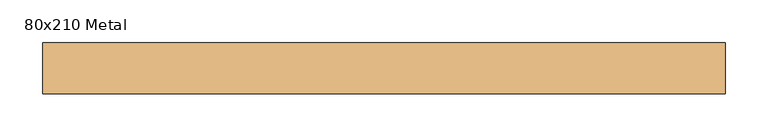
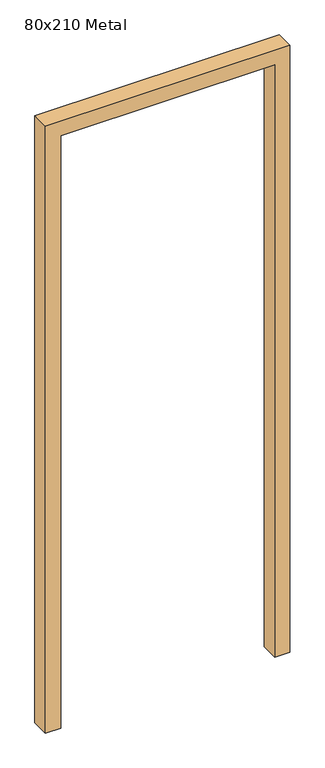
"""IFC4 building model written with IfcOpenShell, lengths in millimetres: door geometry, 80x210 Metal."""

from ifc_helpers import new_model, si_unit, frame, origin, place, context, project, spatial, polyline, outline, extrude, source, transform, mapped, element, save


def door_80x210_metal_ba5819eb(model_context):
    return source(origin(), model_context, "Body", "SweptSolid", [
        extrude(outline(polyline([(2050.0, 350.0), (0.0, 350.0), (0.0, 400.0), (2100.0, 400.0), (2100.0, -400.0), (0.0, -400.0), (0.0, -350.0), (2050.0, -350.0), (2050.0, 350.0)])), frame((0.0, -20.0, 0.0), z_axis=(0.0, 1.0, 0.0), x_axis=(0.0, 0.0, 1.0)), (0.0, 0.0, 1.0), 60.0),
    ])


if __name__ == "__main__":
    model = new_model("IFC4")
    model_context = context("Model", 3, world=origin())
    ifc_project = project(units=[si_unit("LENGTHUNIT", "METRE", prefix="MILLI")], contexts=[model_context])
    site = spatial("IfcSite", under=ifc_project)
    building = spatial("IfcBuilding", under=site)
    placement = place(None, origin())
    door_80x210_metal_shape = door_80x210_metal_ba5819eb(model_context)
    element("IfcDoor", 1, ObjectType="80x210 Metal", at=placement, inside=building, context=model_context, shape_type="MappedRepresentation", body=[
        mapped(door_80x210_metal_shape, transform((0.0, 0.0, 0.0), x_axis=(1.0, 0.0, 0.0), y_axis=(0.0, 1.0, 0.0), z_axis=(0.0, 0.0, 1.0))),
    ])
    save(model, "model.ifc")
